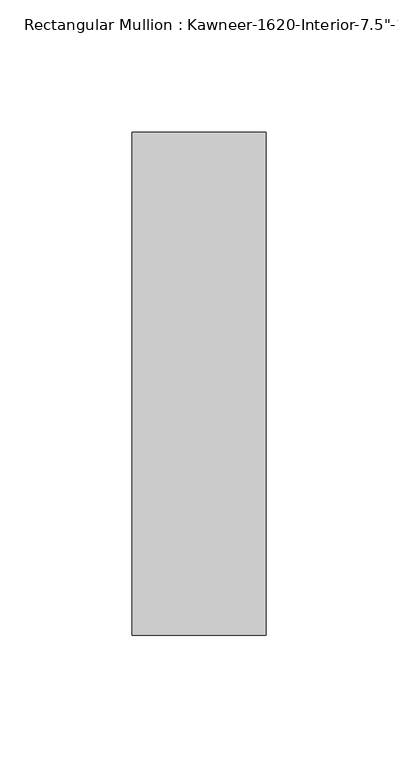
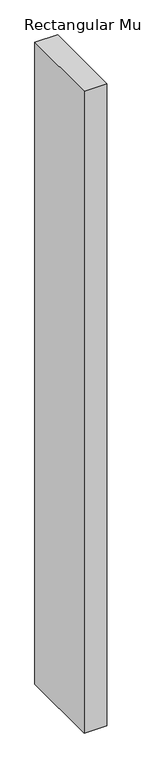
"""IFC4 building model written with IfcOpenShell, lengths in millimetres: member geometry."""

from ifc_helpers import new_model, si_unit, frame, origin, place, context, project, spatial, polyline, outline, extrude, source, transform, mapped, element, save


def member_9fcd0ff4(model_context):
    return source(origin(), model_context, "Body", "SweptSolid", [
        extrude(outline(polyline([(25.4, -152.4), (-25.4, -152.4), (-25.4, 38.1), (25.4, 38.1), (25.4, -152.4)])), frame((0.0, 0.0, -1518.5182369), z_axis=(0.0, 0.0, 1.0), x_axis=(1.0, 0.0, 0.0)), (0.0, 0.0, 1.0), 1518.5182369),
    ])


if __name__ == "__main__":
    model = new_model("IFC4")
    model_context = context("Model", 3, world=origin())
    ifc_project = project(units=[si_unit("LENGTHUNIT", "METRE", prefix="MILLI")], contexts=[model_context])
    site = spatial("IfcSite", under=ifc_project)
    building = spatial("IfcBuilding", under=site)
    placement = place(None, origin())
    member_shape = member_9fcd0ff4(model_context)
    element("IfcMember", 1, ObjectType="Rectangular Mullion : Kawneer-1620-Interior-7.5\"-1\"Infill", at=placement, inside=building, context=model_context, shape_type="MappedRepresentation", body=[
        mapped(member_shape, transform((0.0, 0.0, 0.0), x_axis=(1.0, 0.0, 0.0), y_axis=(0.0, 1.0, 0.0), z_axis=(0.0, 0.0, 1.0))),
    ])
    save(model, "model.ifc")
